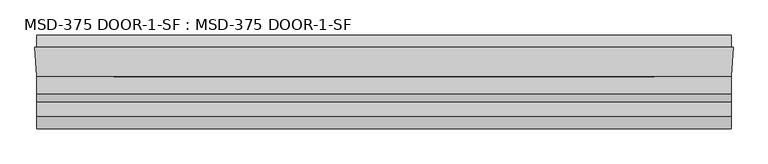
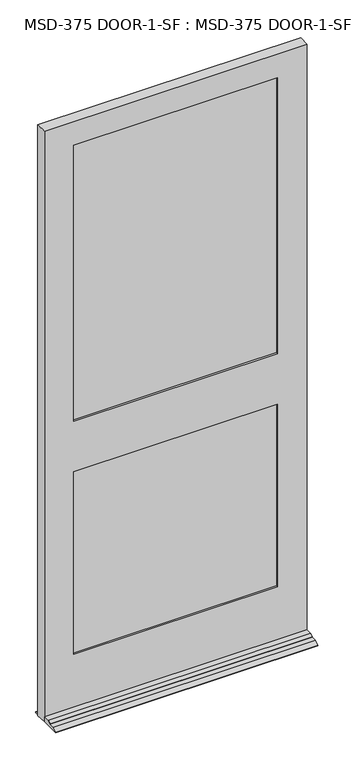
"""IFC4 building model written with IfcOpenShell, lengths in millimetres: plate geometry, MSD-375 DOOR-1-SF : MSD-375 DOOR-1-SF."""

from ifc_helpers import new_model, si_unit, frame, origin, place, context, project, spatial, polyline, outline, extrude, faceted_brep, source, transform, mapped, element, save


def msd_375_door_1_sf_msd_375_door_1_sf_530cce96(model_context):
    return source(origin(), model_context, "Body", "SolidModel", [
        faceted_brep([(530.1603327, 1.8752528, 0.0), (527.3917327, -42.5747472, 0.0), (527.3917327, -121.9497472, 0.0), (-533.8064, -121.9497472, 0.0), (-533.8064, -42.5747472, 0.0), (-536.575, 1.8752528, 0.0), (-533.8064, 1.8752528, 0.0), (-533.8064, 20.9252528, 0.0), (527.3917327, 20.9252528, 0.0), (527.3917327, 1.8752528, 0.0), (527.3917327, -42.5747472, 21.4376), (527.3917327, -68.4446472, 21.4376), (527.3917327, -80.8652472, 14.2748), (527.3917327, -80.8652472, 12.7), (527.3917327, -102.8997472, 12.7), (527.3917327, -121.9497472, 3.175), (527.3917327, 20.9252528, 3.175), (527.3917327, 1.8752528, 12.7), (-533.8064, 1.8752528, 12.7), (-533.8064, 20.9252528, 3.175), (-533.8064, -121.9497472, 3.175), (-533.8064, -102.8997472, 12.7), (-533.8064, -80.8652472, 12.7), (-533.8064, -80.8652472, 14.2748), (-533.8064, -68.4446472, 21.4376), (-533.8064, -42.5747472, 21.4376), (530.1603327, 1.8752528, 2524.0418046), (-536.575, 1.8752528, 2524.0418046), (-415.925, 1.8752528, 1027.0998), (-415.925, 1.8752528, 246.0625), (409.5103327, 1.8752528, 246.0625), (409.5103327, 1.8752528, 1027.0998), (409.5103327, 1.8752528, 2422.4418046), (-415.925, 1.8752528, 2422.4418046), (-415.925, 1.8752528, 1242.9998), (409.5103327, 1.8752528, 1242.9998), (409.5103327, -9.7325472, 2422.4418046), (-415.925, -9.7325472, 2422.4418046), (429.3477327, -9.7325472, 1046.9499), (-435.7624, -9.7325472, 1046.9499), (-435.7624, -9.7325472, 226.2251), (429.3477327, -9.7325472, 226.2251), (-415.925, -9.7325472, 1027.0998), (409.5103327, -9.7325472, 1027.0998), (409.5103327, -9.7325472, 246.0625), (-415.925, -9.7325472, 246.0625), (429.3477327, -9.7325472, 2442.3624), (-435.7624, -9.7325472, 2442.3624), (-435.7624, -9.7325472, 1223.1624), (429.3477327, -9.7325472, 1223.1624), (409.5103327, -9.7325472, 1242.9998), (-415.925, -9.7325472, 1242.9998), (429.3477327, -35.1325472, 2442.3624), (-435.7624, -35.1325472, 2442.3624), (-435.7624, -35.1325472, 1046.9499), (429.3477327, -35.1325472, 1046.9499), (429.3477327, -35.1325472, 226.2251), (-435.7624, -35.1325472, 226.2251), (409.5103327, -35.1325472, 1027.0998), (-415.925, -35.1325472, 1027.0998), (-415.925, -35.1325472, 246.0625), (409.5103327, -35.1325472, 246.0625), (429.3477327, -35.1325472, 1223.1624), (-435.7624, -35.1325472, 1223.1624), (409.5103327, -35.1325472, 2422.4418046), (-415.925, -35.1325472, 2422.4418046), (-415.925, -35.1325472, 1242.9998), (409.5103327, -35.1325472, 1242.9998), (409.5103327, -42.5747472, 2422.4418046), (-415.925, -42.5747472, 2422.4418046), (527.3917327, -42.5747472, 2524.0418046), (-533.8064, -42.5747472, 2524.0418046), (409.5103327, -42.5747472, 1027.0998), (409.5103327, -42.5747472, 246.0625), (-415.925, -42.5747472, 246.0625), (-415.925, -42.5747472, 1027.0998), (409.5103327, -42.5747472, 1242.9998), (-415.925, -42.5747472, 1242.9998)], [[[0, 1, 2, 3, 4, 5, 6, 7, 8, 9]], [[10, 11, 12, 13, 14, 15, 2, 1]], [[8, 16, 17, 9]], [[18, 19, 7, 6]], [[3, 20, 21, 22, 23, 24, 25, 4]], [[26, 0, 9, 17, 18, 6, 5, 27], [28, 29, 30, 31], [32, 33, 34, 35]], [[32, 36, 37, 33]], [[38, 39, 40, 41], [42, 43, 44, 45]], [[46, 47, 48, 49], [37, 36, 50, 51]], [[46, 52, 53, 47]], [[54, 55, 56, 57], [58, 59, 60, 61]], [[53, 52, 62, 63], [64, 65, 66, 67]], [[64, 68, 69, 65]], [[70, 71, 25, 10], [72, 73, 74, 75], [69, 68, 76, 77]], [[70, 26, 27, 71]], [[52, 46, 49, 62]], [[56, 55, 38, 41]], [[68, 64, 67, 76]], [[72, 58, 61, 73]], [[26, 70, 10, 1, 0]], [[36, 32, 35, 50]], [[43, 31, 30, 44]], [[25, 71, 27, 5, 4]], [[65, 69, 77, 66]], [[59, 75, 74, 60]], [[40, 39, 54, 57]], [[47, 53, 63, 48]], [[33, 37, 51, 34]], [[28, 42, 45, 29]], [[35, 34, 51, 50]], [[62, 49, 48, 63]], [[67, 66, 77, 76]], [[59, 58, 72, 75]], [[38, 55, 54, 39]], [[28, 31, 43, 42]], [[57, 56, 41, 40]], [[61, 60, 74, 73]], [[11, 10, 25, 24]], [[12, 11, 24, 23]], [[13, 12, 23, 22]], [[14, 13, 22, 21]], [[15, 14, 21, 20]], [[2, 15, 20, 3]], [[16, 8, 7, 19]], [[18, 17, 16, 19]], [[30, 29, 45, 44]]]),
        extrude(outline(polyline([(-435.7624, -9.7325472), (429.3477327, -9.7325472), (429.3477327, -14.8125472), (-435.7624, -14.8125472), (-435.7624, -9.7325472)])), frame((0.0, 0.0, 226.21875), z_axis=(0.0, 0.0, 1.0), x_axis=(1.0, 0.0, 0.0)), (0.0, 0.0, 1.0), 820.73115),
        extrude(outline(polyline([(429.3477327, -24.2105472), (429.3477327, -29.2905472), (-435.7624, -29.2905472), (-435.7624, -24.2105472), (429.3477327, -24.2105472)])), frame((0.0, 0.0, 226.21875), z_axis=(0.0, 0.0, 1.0), x_axis=(1.0, 0.0, 0.0)), (0.0, 0.0, 1.0), 820.73115),
        extrude(outline(polyline([(-435.7624, -30.0525472), (429.3477327, -30.0525472), (429.3477327, -35.1325472), (-435.7624, -35.1325472), (-435.7624, -30.0525472)])), frame((0.0, 0.0, 226.21875), z_axis=(0.0, 0.0, 1.0), x_axis=(1.0, 0.0, 0.0)), (0.0, 0.0, 1.0), 820.73115),
        extrude(outline(polyline([(-433.8662802, -9.7325472), (428.7338756, -9.7325472), (428.7338756, -14.8125472), (-433.8662802, -14.8125472), (-433.8662802, -9.7325472)])), frame((0.0, 0.0, 1223.1624), z_axis=(0.0, 0.0, 1.0), x_axis=(1.0, 0.0, 0.0)), (0.0, 0.0, 1.0), 1219.2),
        extrude(outline(polyline([(428.7338756, -24.2105472), (428.7338756, -29.2905472), (-433.8662802, -29.2905472), (-433.8662802, -24.2105472), (428.7338756, -24.2105472)])), frame((0.0, 0.0, 1223.1624), z_axis=(0.0, 0.0, 1.0), x_axis=(1.0, 0.0, 0.0)), (0.0, 0.0, 1.0), 1219.2),
        extrude(outline(polyline([(-433.8662802, -30.0525472), (428.7338756, -30.0525472), (428.7338756, -35.1325472), (-433.8662802, -35.1325472), (-433.8662802, -30.0525472)])), frame((0.0, 0.0, 1223.1624), z_axis=(0.0, 0.0, 1.0), x_axis=(1.0, 0.0, 0.0)), (0.0, 0.0, 1.0), 1219.2),
    ])


if __name__ == "__main__":
    model = new_model("IFC4")
    model_context = context("Model", 3, world=origin())
    ifc_project = project(units=[si_unit("LENGTHUNIT", "METRE", prefix="MILLI")], contexts=[model_context])
    site = spatial("IfcSite", under=ifc_project)
    building = spatial("IfcBuilding", under=site)
    placement = place(None, origin())
    msd_375_door_1_sf_msd_375_door_1_sf_shape = msd_375_door_1_sf_msd_375_door_1_sf_530cce96(model_context)
    element("IfcPlate", 1, ObjectType="MSD-375 DOOR-1-SF : MSD-375 DOOR-1-SF", at=placement, inside=building, context=model_context, shape_type="MappedRepresentation", body=[
        mapped(msd_375_door_1_sf_msd_375_door_1_sf_shape, transform((0.0, 0.0, 0.0), x_axis=(1.0, 0.0, 0.0), y_axis=(0.0, 1.0, 0.0), z_axis=(0.0, 0.0, 1.0))),
    ])
    save(model, "model.ifc")
